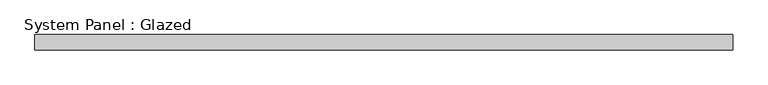
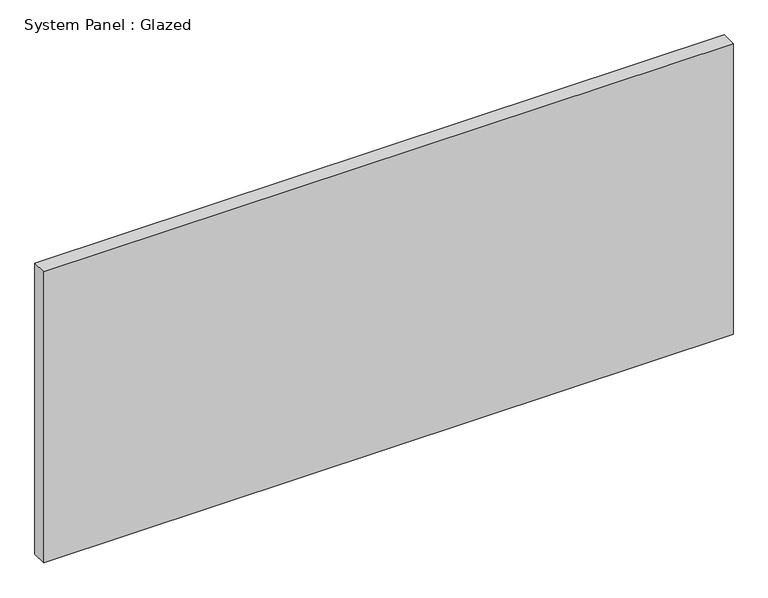
"""IFC4 building model written with IfcOpenShell, lengths in millimetres: plate geometry, System Panel : Glazed."""

from ifc_helpers import new_model, si_unit, origin, origin_with_axes, place, context, project, spatial, polyline, outline, extrude, source, transform, mapped, element, save


def system_panel_glazed_d31815d7(model_context):
    return source(origin(), model_context, "Body", "SweptSolid", [
        extrude(outline(polyline([(576.6396969, 19.05), (-576.6396969, 19.05), (-576.6396969, 44.45), (576.6396969, 44.45), (576.6396969, 19.05)])), origin_with_axes(), (0.0, 0.0, 1.0), 514.35),
    ])


if __name__ == "__main__":
    model = new_model("IFC4")
    model_context = context("Model", 3, world=origin())
    ifc_project = project(units=[si_unit("LENGTHUNIT", "METRE", prefix="MILLI")], contexts=[model_context])
    site = spatial("IfcSite", under=ifc_project)
    building = spatial("IfcBuilding", under=site)
    placement = place(None, origin())
    system_panel_glazed_shape = system_panel_glazed_d31815d7(model_context)
    element("IfcPlate", 1, ObjectType="System Panel : Glazed", at=placement, inside=building, context=model_context, shape_type="MappedRepresentation", body=[
        mapped(system_panel_glazed_shape, transform((0.0, 0.0, 0.0), x_axis=(1.0, 0.0, 0.0), y_axis=(0.0, 1.0, 0.0), z_axis=(0.0, 0.0, 1.0))),
    ])
    save(model, "model.ifc")
